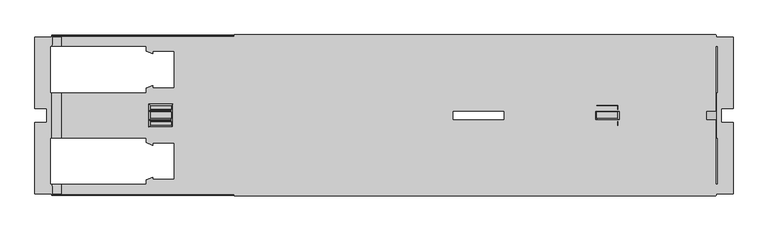
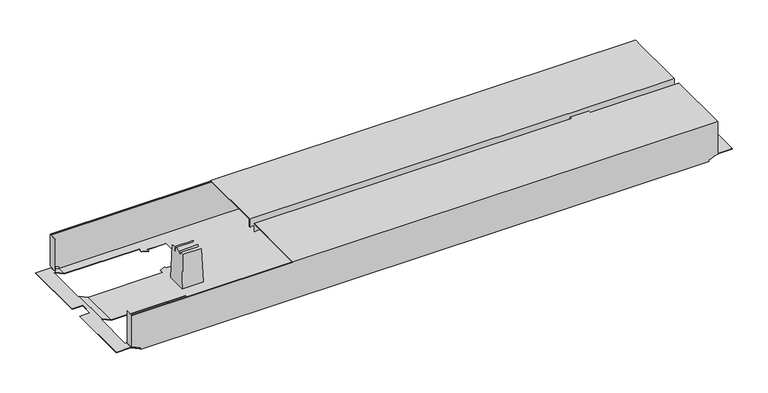
"""IFC4 building model written with IfcOpenShell, lengths in millimetres: furniture geometry."""

from ifc_helpers import new_model, si_unit, origin, place, context, project, spatial, triangles, source, transform, mapped, element, save


def furniture_51471888(model_context):
    return source(origin(), model_context, "Body", "Tessellation", [
        triangles([(5156.4205302, 4070.0568829, 526.9999909), (5156.4205302, 4070.0568829, 507.9999879), (6184.4205729, 4070.0568829, 526.9999909), (6184.4205729, 4070.0568829, 507.9999879), (5156.4205302, 3908.9568779, 526.9999909), (6184.4205729, 3908.9568779, 526.9999909), (5156.4205302, 3908.9568779, 507.9999879), (6184.4205729, 3908.9568779, 507.9999879), (5156.4205302, 3907.9568845, 507.9999879), (6184.4205729, 3907.9568845, 507.9999879), (5156.4205302, 3907.9568845, 528.0000026), (6184.4205729, 3907.9568845, 528.0000026), (5156.4205302, 4071.0568854, 528.0000026), (6184.4205729, 4071.0568854, 528.0000026), (5156.4205302, 4071.0568854, 507.9999879), (6184.4205729, 4071.0568854, 507.9999879), (5156.4205302, 3888.1568939, 526.9999909), (5156.4205302, 3888.1568939, 507.9999879), (6184.4205729, 3888.1568939, 526.9999909), (6184.4205729, 3888.1568939, 507.9999879), (5156.4205302, 3727.0568799, 526.9999909), (6184.4205729, 3727.0568799, 526.9999909), (5156.4205302, 3727.0568799, 507.9999879), (6184.4205729, 3727.0568799, 507.9999879), (5156.4205302, 3726.0568683, 507.9999879), (6184.4205729, 3726.0568683, 507.9999879), (5156.4205302, 3726.0568683, 528.0000026), (6184.4205729, 3726.0568683, 528.0000026), (5156.4205302, 3889.1568692, 528.0000026), (6184.4205729, 3889.1568692, 528.0000026), (5156.4205302, 3889.1568692, 507.9999879), (6184.4205729, 3889.1568692, 507.9999879), (4788.9205783, 3727.0568799, 432.000012), (6163.9206614, 3727.0568799, 432.000012), (4788.9205783, 3727.0568799, 435.9999859), (6163.9206614, 3727.0568799, 435.9999859), (4768.9206363, 3727.0568799, 445.3260155), (6183.9206035, 3727.0568799, 445.3260155), (4768.9206363, 3727.0568799, 526.0000156), (6183.9206035, 3727.0568799, 526.0000156), (6185.9204814, 3727.0568799, 445.3260155), (6185.9204814, 3727.0568799, 526.0000156), (4766.9204677, 3727.0568799, 526.0000156), (4766.9204677, 3727.0568799, 445.3260155), (5733.5204791, 3937.7568824, 432.000012), (5923.8204913, 3839.7568685, 432.000012), (5733.5204791, 3859.3568713, 432.000012), (5923.8204913, 3761.3568938, 432.000012), (5673.3206653, 3848.5568765, 432.000012), (5029.0204577, 3761.3568938, 432.000012), (5623.3205195, 3848.5568765, 432.000012), (5029.0204577, 3839.7568685, 432.000012), (5029.0204577, 3957.3568851, 432.000012), (4968.8206439, 3946.5568903, 432.000012), (4982.6206737, 3957.3568851, 432.000012), (4968.8206439, 3956.8408738, 432.000012), (4982.6206737, 3962.5568766, 432.000012), (5687.120695, 3937.7568824, 432.000012), (5673.3206653, 3948.5568772, 432.000012), (5923.8204913, 4035.756878, 432.000012), (5923.8204913, 3957.3568851, 432.000012), (5687.120695, 3932.5568727, 432.000012), (5673.3206653, 3938.1748801, 432.000012), (5029.0204577, 4035.756878, 432.000012), (5623.3205195, 3948.5568772, 432.000012), (5687.120695, 3859.3568713, 432.000012), (5673.3206653, 3858.9388736, 432.000012), (5687.120695, 3864.5568809, 432.000012), (4968.8206439, 3750.556899, 432.000012), (5984.0205958, 3750.556899, 432.000012), (6163.9206614, 3730.5568843, 432.000012), (6164.9206004, 3750.556899, 432.000012), (6164.9206004, 3730.5568843, 432.000012), (4788.9205783, 3730.5568843, 432.000012), (4787.9206393, 3750.556899, 432.000012), (4787.9206393, 3730.5568843, 432.000012), (4968.8206439, 3760.8408643, 432.000012), (4982.6206737, 3761.3568938, 432.000012), (5970.2205661, 3761.3568938, 432.000012), (4982.6206737, 3766.5568671, 432.000012), (4968.8206439, 3850.5568634, 432.000012), (4982.6206737, 3839.7568685, 432.000012), (4968.8206439, 3840.2728981, 432.000012), (4982.6206737, 3834.5568952, 432.000012), (4787.9206393, 3850.5568634, 432.000012), (4787.9206393, 3946.5568903, 432.000012), (4982.6206737, 4035.756878, 432.000012), (4968.8206439, 4046.556882, 432.000012), (5984.0205958, 4046.556882, 432.000012), (5970.2205661, 4035.756878, 432.000012), (5984.0205958, 4036.2728894, 432.000012), (5970.2205661, 4030.5568866, 432.000012), (4982.6206737, 4030.5568866, 432.000012), (4968.8206439, 4036.2728894, 432.000012), (4787.9206393, 4046.556882, 432.000012), (4788.9205783, 4066.5568785, 432.000012), (4788.9205783, 4070.0568829, 432.000012), (6163.9206614, 4070.0568829, 432.000012), (4787.9206393, 4066.5568785, 432.000012), (6163.9206614, 4066.5568785, 432.000012), (6164.9206004, 4046.556882, 432.000012), (6164.9206004, 4066.5568785, 432.000012), (5970.2205661, 3957.3568851, 432.000012), (5984.0205958, 3946.5568903, 432.000012), (5984.0205958, 3850.5568634, 432.000012), (5970.2205661, 3839.7568685, 432.000012), (5984.0205958, 3840.2728981, 432.000012), (5970.2205661, 3834.5568952, 432.000012), (5970.2205661, 3962.5568766, 432.000012), (5984.0205958, 3956.8408738, 432.000012), (6164.9206004, 3946.5568903, 432.000012), (6164.9206004, 3850.5568634, 432.000012), (5970.2205661, 3766.5568671, 432.000012), (5984.0205958, 3760.8408643, 432.000012), (5733.5204791, 3859.3568713, 432.9999873), (5923.8204913, 3957.3568851, 432.9999873), (5733.5204791, 3937.7568824, 432.9999873), (5923.8204913, 4035.756878, 432.9999873), (5673.3206653, 3948.5568772, 432.9999873), (5029.0204577, 4035.756878, 432.9999873), (5623.3205195, 3948.5568772, 432.9999873), (5029.0204577, 3957.3568851, 432.9999873), (5029.0204577, 3839.7568685, 432.9999873), (4968.8206439, 3850.5568634, 432.9999873), (4982.6206737, 3839.7568685, 432.9999873), (4968.8206439, 3840.2728981, 432.9999873), (4982.6206737, 3834.5568952, 432.9999873), (5687.120695, 3859.3568713, 432.9999873), (5673.3206653, 3848.5568765, 432.9999873), (5923.8204913, 3761.3568938, 432.9999873), (5923.8204913, 3839.7568685, 432.9999873), (5687.120695, 3864.5568809, 432.9999873), (5673.3206653, 3858.9388736, 432.9999873), (5029.0204577, 3761.3568938, 432.9999873), (5623.3205195, 3848.5568765, 432.9999873), (5687.120695, 3937.7568824, 432.9999873), (5673.3206653, 3938.1748801, 432.9999873), (5687.120695, 3932.5568727, 432.9999873), (6164.6985209, 4046.556882, 432.9999873), (6163.9206614, 4066.5568785, 432.9999873), (5984.0205958, 4046.556882, 432.9999873), (6163.9206614, 4069.0568803, 432.9999873), (4968.8206439, 4046.556882, 432.9999873), (4788.9205783, 4069.0568803, 432.9999873), (4788.9205783, 4066.5568785, 432.9999873), (6164.6985209, 4066.5568785, 432.9999873), (4788.1427188, 4066.5568785, 432.9999873), (4788.1427188, 4046.556882, 432.9999873), (4968.8206439, 4036.2728894, 432.9999873), (4982.6206737, 4035.756878, 432.9999873), (5970.2205661, 4035.756878, 432.9999873), (4982.6206737, 4030.5568866, 432.9999873), (4968.8206439, 3946.5568903, 432.9999873), (4982.6206737, 3957.3568851, 432.9999873), (4968.8206439, 3956.8408738, 432.9999873), (4982.6206737, 3962.5568766, 432.9999873), (4788.1427188, 3946.5568903, 432.9999873), (4788.1427188, 3850.5568634, 432.9999873), (4982.6206737, 3761.3568938, 432.9999873), (4968.8206439, 3750.556899, 432.9999873), (5984.0205958, 3750.556899, 432.9999873), (5970.2205661, 3761.3568938, 432.9999873), (5984.0205958, 3760.8408643, 432.9999873), (5970.2205661, 3766.5568671, 432.9999873), (4982.6206737, 3766.5568671, 432.9999873), (4968.8206439, 3760.8408643, 432.9999873), (4788.1427188, 3750.556899, 432.9999873), (4788.9205783, 3730.5568843, 432.9999873), (4788.9205783, 3728.0568915, 432.9999873), (6163.9206614, 3728.0568915, 432.9999873), (4788.1427188, 3730.5568843, 432.9999873), (6163.9206614, 3730.5568843, 432.9999873), (6164.6985209, 3750.556899, 432.9999873), (6164.6985209, 3730.5568843, 432.9999873), (5970.2205661, 3839.7568685, 432.9999873), (5984.0205958, 3850.5568634, 432.9999873), (5984.0205958, 3946.5568903, 432.9999873), (5970.2205661, 3957.3568851, 432.9999873), (5984.0205958, 3956.8408738, 432.9999873), (5970.2205661, 3962.5568766, 432.9999873), (5970.2205661, 3834.5568952, 432.9999873), (5984.0205958, 3840.2728981, 432.9999873), (6164.6985209, 3850.5568634, 432.9999873), (6164.6985209, 3946.5568903, 432.9999873), (5970.2205661, 4030.5568866, 432.9999873), (5984.0205958, 4036.2728894, 432.9999873), (4788.9205783, 3728.0568915, 435.9999859), (6163.9206614, 3728.0568915, 435.9999859), (4768.9206363, 3728.0568915, 445.3260155), (6183.9206035, 3728.0568915, 445.3260155), (6183.9206035, 3728.0568915, 511.9999981), (6184.9205424, 3728.0568915, 445.3260155), (6184.9205424, 3728.0568915, 526.0000156), (6183.9206035, 3728.0568915, 526.0000156), (4768.9206363, 3728.0568915, 511.9999981), (4767.9206973, 3728.0568915, 445.3260155), (4767.9206973, 3728.0568915, 526.0000156), (4768.9206363, 3728.0568915, 526.0000156), (4768.9206363, 4068.0568778, 526.0000156), (6183.9206035, 4068.0568778, 526.0000156), (4768.9206363, 4068.3498831, 526.7069856), (6183.9206035, 4068.3498831, 526.7069856), (4768.9206363, 4069.0568803, 526.9999909), (6183.9206035, 4069.0568803, 526.9999909), (4768.9206363, 4069.7638775, 526.7069856), (6183.9206035, 4069.7638775, 526.7069856), (4768.9206363, 4070.0568829, 526.0000156), (6183.9206035, 4070.0568829, 526.0000156), (4768.9206363, 4068.0568778, 511.9999981), (6183.9206035, 4068.0568778, 511.9999981), (4768.9206363, 4069.0568803, 511.9999981), (6183.9206035, 4069.0568803, 511.9999981), (4768.9206363, 3729.0568668, 511.9999981), (6183.9206035, 3729.0568668, 511.9999981), (4768.9206363, 3729.0568668, 526.0000156), (6183.9206035, 3729.0568668, 526.0000156), (4768.9206363, 3727.3498853, 526.7069856), (6183.9206035, 3727.3498853, 526.7069856), (4768.9206363, 3728.0568915, 526.9999909), (6183.9206035, 3728.0568915, 526.9999909), (4768.9206363, 3728.7638978, 526.7069856), (6183.9206035, 3728.7638978, 526.7069856), (4768.9206363, 4070.0568829, 445.3260155), (4766.9204677, 4070.0568829, 445.3260155), (4766.9204677, 4070.0568829, 526.0000156), (6183.9206035, 4070.0568829, 445.3260155), (6185.9204814, 4070.0568829, 526.0000156), (6185.9204814, 4070.0568829, 445.3260155), (4788.9205783, 4070.0568829, 435.9999859), (6163.9206614, 4070.0568829, 435.9999859), (6183.9206035, 4069.0568803, 445.3260155), (4768.9206363, 4069.0568803, 445.3260155), (6163.9206614, 4069.0568803, 435.9999859), (4788.9205783, 4069.0568803, 435.9999859), (6184.9205424, 4069.0568803, 445.3260155), (6184.9205424, 4069.0568803, 526.0000156), (6183.9206035, 4069.0568803, 526.0000156), (4767.9206973, 4069.0568803, 445.3260155), (4767.9206973, 4069.0568803, 526.0000156), (4768.9206363, 4069.0568803, 526.0000156), (6186.3655124, 3850.5568634, 441.999983), (6186.3655124, 3946.5568903, 441.999983), (6189.0205829, 3850.5568634, 441.999983), (6189.0205829, 3946.5568903, 441.999983), (6196.920682, 3913.5568879, 441.999983), (6189.0205829, 4046.556882, 441.999983), (6221.9206096, 4066.5568785, 441.999983), (6186.3655124, 4066.5568785, 441.999983), (6186.3655124, 4046.556882, 441.999983), (6221.9206096, 3913.5568879, 441.999983), (6196.920682, 3883.556884, 441.999983), (6189.0205829, 3750.556899, 441.999983), (6221.9206096, 3730.5568843, 441.999983), (6186.3655124, 3730.5568843, 441.999983), (6221.9206096, 3883.556884, 441.999983), (6186.3655124, 3750.556899, 441.999983), (6189.0205829, 3850.5568634, 442.9999947), (6189.0205829, 3750.556899, 442.9999947), (6186.1437236, 3946.5568903, 442.9999947), (6186.1437236, 3850.5568634, 442.9999947), (6189.0205829, 4046.556882, 442.9999947), (6189.0205829, 3946.5568903, 442.9999947), (6196.920682, 3913.5568879, 442.9999947), (6221.9206096, 4066.5568785, 442.9999947), (6186.1437236, 4066.5568785, 442.9999947), (6196.920682, 3883.556884, 442.9999947), (6221.9206096, 3730.5568843, 442.9999947), (6186.1437236, 3730.5568843, 442.9999947), (6186.1437236, 3750.556899, 442.9999947), (6221.9206096, 3883.556884, 442.9999947), (6221.9206096, 3913.5568879, 442.9999947), (6186.1437236, 4046.556882, 442.9999947), (6184.9205424, 4050.0568773, 526.0000156), (6184.9205424, 4050.0568773, 445.3260155), (6185.9204814, 4050.0568773, 445.3260155), (6185.9204814, 4050.0568773, 526.0000156), (6184.9205424, 3747.0568946, 445.3260155), (6184.9205424, 3747.0568946, 526.0000156), (6185.9204814, 3747.0568946, 445.3260155), (6185.9204814, 3747.0568946, 526.0000156), (4766.9204677, 3747.0568946, 526.0000156), (4766.9204677, 3747.0568946, 445.3260155), (4767.9206973, 3747.0568946, 526.0000156), (4767.9206973, 3747.0568946, 445.3260155), (4766.9204677, 4050.0568773, 445.3260155), (4766.9204677, 4050.0568773, 526.0000156), (4767.9206973, 4050.0568773, 445.3260155), (4767.9206973, 4050.0568773, 526.0000156), (4766.6975162, 3946.5568903, 442.9999947), (4766.6975162, 3850.5568634, 442.9999947), (4766.4757274, 3850.5568634, 441.999983), (4766.4757274, 3946.5568903, 441.999983), (4763.8206569, 3750.556899, 441.999983), (4755.9205577, 3883.556884, 441.999983), (4763.8206569, 3850.5568634, 441.999983), (4755.9205577, 3913.5568879, 441.999983), (4763.8206569, 3946.5568903, 441.999983), (4763.8206569, 4046.556882, 441.999983), (4730.9206302, 4066.5568785, 441.999983), (4766.4757274, 4066.5568785, 441.999983), (4766.4757274, 3750.556899, 441.999983), (4766.4757274, 3730.5568843, 441.999983), (4730.9206302, 3730.5568843, 441.999983), (4730.9206302, 3883.556884, 441.999983), (4730.9206302, 3913.5568879, 441.999983), (4766.4757274, 4046.556882, 441.999983), (4730.9206302, 3883.556884, 442.9999947), (4730.9206302, 3730.5568843, 442.9999947), (4755.9205577, 3883.556884, 442.9999947), (4763.8206569, 3750.556899, 442.9999947), (4763.8206569, 3850.5568634, 442.9999947), (4766.6975162, 3730.5568843, 442.9999947), (4766.6975162, 3750.556899, 442.9999947), (4763.8206569, 3946.5568903, 442.9999947), (4755.9205577, 3913.5568879, 442.9999947), (4763.8206569, 4046.556882, 442.9999947), (4730.9206302, 4066.5568785, 442.9999947), (4766.6975162, 4066.5568785, 442.9999947), (4766.6975162, 4046.556882, 442.9999947), (4730.9206302, 3913.5568879, 442.9999947), (5975.9524837, 3891.6558809, 519.5000127), (5976.3015902, 3889.656875, 509.5000053), (5975.9524837, 3905.4578728, 519.5000127), (5976.3015902, 3907.4568786, 509.5000053), (5978.9206164, 3874.0568825, 433.4999931), (5978.9206164, 3923.0568894, 433.4999931), (5976.3015902, 3887.6568881, 509.5000053), (5975.9876559, 3876.9898793, 518.500001), (5975.9876559, 3885.85787, 518.500001), (5976.3015902, 3909.4568838, 509.5000053), (5975.9876559, 3920.1238744, 518.500001), (5975.9876559, 3911.2558837, 518.500001), (5930.8886645, 3891.6558809, 519.5000127), (5930.8886645, 3905.4578728, 519.5000127), (5930.5395579, 3889.656875, 509.5000053), (5930.5395579, 3907.4568786, 509.5000053), (5927.9205317, 3874.0568825, 433.4999931), (5927.9205317, 3923.0568894, 433.4999931), (5930.5395579, 3909.4568838, 509.5000053), (5930.8534923, 3920.1238744, 518.500001), (5930.8534923, 3911.2558837, 518.500001), (5930.5395579, 3887.6568881, 509.5000053), (5930.8534923, 3876.9898793, 518.500001), (5930.8534923, 3885.85787, 518.500001), (5021.9525752, 3891.6558809, 519.5000127), (5022.3016818, 3889.656875, 509.5000053), (5021.9525752, 3905.4578728, 519.5000127), (5022.3016818, 3907.4568786, 509.5000053), (5024.920708, 3874.0568825, 433.4999931), (5024.920708, 3923.0568894, 433.4999931), (5022.3016818, 3887.6568881, 509.5000053), (5021.9874568, 3876.9898793, 518.500001), (5021.9874568, 3885.85787, 518.500001), (5022.3016818, 3909.4568838, 509.5000053), (5021.9874568, 3920.1238744, 518.500001), (5021.9874568, 3911.2558837, 518.500001), (4976.8884654, 3891.6558809, 519.5000127), (4976.8884654, 3905.4578728, 519.5000127), (4976.5396495, 3889.656875, 509.5000053), (4976.5396495, 3907.4568786, 509.5000053), (4973.9206233, 3874.0568825, 433.4999931), (4973.9206233, 3923.0568894, 433.4999931), (4976.5396495, 3909.4568838, 509.5000053), (4976.8535838, 3920.1238744, 518.500001), (4976.8535838, 3911.2558837, 518.500001), (4976.5396495, 3887.6568881, 509.5000053), (4976.8535838, 3876.9898793, 518.500001), (4976.8535838, 3885.85787, 518.500001)], [[1, 2, 3], [3, 2, 4], [5, 1, 6], [6, 1, 3], [7, 5, 8], [8, 5, 6], [9, 7, 10], [10, 7, 8], [11, 9, 12], [12, 9, 10], [13, 11, 14], [14, 11, 12], [15, 13, 16], [16, 13, 14], [2, 15, 4], [4, 15, 16], [2, 1, 15], [15, 1, 13], [13, 1, 5], [13, 5, 11], [11, 5, 9], [9, 5, 7], [4, 16, 3], [14, 3, 16], [6, 3, 14], [12, 6, 14], [10, 6, 12], [10, 8, 6], [17, 18, 19], [19, 18, 20], [21, 17, 22], [22, 17, 19], [23, 21, 24], [24, 21, 22], [25, 23, 26], [26, 23, 24], [27, 25, 28], [28, 25, 26], [29, 27, 30], [30, 27, 28], [31, 29, 32], [32, 29, 30], [18, 31, 20], [20, 31, 32], [18, 17, 31], [31, 17, 29], [29, 17, 21], [29, 21, 27], [27, 21, 25], [25, 21, 23], [20, 32, 19], [30, 19, 32], [22, 19, 30], [28, 22, 30], [26, 22, 28], [26, 24, 22], [33, 34, 35], [35, 34, 36], [37, 35, 36], [37, 36, 38], [37, 38, 39], [39, 38, 40], [40, 38, 41], [40, 41, 42], [39, 43, 37], [37, 43, 44], [45, 46, 47], [47, 46, 48], [49, 47, 48], [50, 49, 48], [49, 50, 51], [51, 50, 52], [51, 52, 53], [53, 52, 54], [53, 54, 55], [55, 54, 56], [57, 55, 56], [45, 58, 59], [60, 45, 59], [45, 60, 61], [62, 63, 58], [58, 63, 59], [60, 59, 64], [64, 59, 65], [64, 65, 53], [53, 65, 51], [47, 49, 66], [66, 49, 67], [68, 66, 67], [33, 69, 34], [34, 69, 70], [34, 70, 71], [71, 70, 72], [71, 72, 73], [33, 74, 69], [69, 74, 75], [75, 74, 76], [69, 77, 78], [69, 78, 50], [69, 50, 70], [70, 50, 48], [70, 48, 79], [77, 80, 78], [54, 52, 81], [81, 52, 82], [81, 82, 83], [83, 82, 84], [85, 86, 81], [81, 86, 54], [64, 87, 88], [89, 64, 88], [64, 89, 60], [60, 89, 90], [90, 89, 91], [92, 90, 91], [93, 94, 87], [87, 94, 88], [95, 96, 88], [88, 96, 97], [98, 88, 97], [95, 99, 96], [88, 98, 89], [89, 98, 100], [89, 100, 101], [101, 100, 102], [61, 103, 104], [61, 104, 105], [61, 105, 46], [46, 105, 106], [106, 105, 107], [108, 106, 107], [109, 110, 103], [103, 110, 104], [111, 112, 104], [104, 112, 105], [113, 114, 79], [79, 114, 70], [45, 61, 46], [115, 116, 117], [117, 116, 118], [119, 117, 118], [120, 119, 118], [119, 120, 121], [121, 120, 122], [121, 122, 123], [123, 122, 124], [123, 124, 125], [125, 124, 126], [127, 125, 126], [115, 128, 129], [130, 115, 129], [115, 130, 131], [132, 133, 128], [128, 133, 129], [130, 129, 134], [134, 129, 135], [134, 135, 123], [123, 135, 121], [117, 119, 136], [136, 119, 137], [138, 136, 137], [139, 140, 141], [141, 140, 142], [143, 141, 142], [144, 143, 142], [143, 144, 145], [139, 146, 140], [147, 148, 145], [145, 148, 143], [143, 149, 150], [143, 150, 120], [143, 120, 141], [141, 120, 118], [141, 118, 151], [149, 152, 150], [124, 122, 153], [153, 122, 154], [153, 154, 155], [155, 154, 156], [157, 158, 153], [153, 158, 124], [134, 159, 160], [161, 134, 160], [134, 161, 130], [130, 161, 162], [162, 161, 163], [164, 162, 163], [165, 166, 159], [159, 166, 160], [167, 168, 160], [160, 168, 169], [170, 160, 169], [167, 171, 168], [160, 170, 161], [161, 170, 172], [161, 172, 173], [173, 172, 174], [131, 175, 176], [131, 176, 177], [131, 177, 116], [116, 177, 178], [178, 177, 179], [180, 178, 179], [181, 182, 175], [175, 182, 176], [183, 184, 176], [176, 184, 177], [185, 186, 151], [151, 186, 141], [115, 131, 116], [169, 187, 170], [170, 187, 188], [188, 187, 189], [190, 188, 189], [190, 189, 191], [190, 191, 192], [192, 191, 193], [193, 191, 194], [191, 189, 195], [195, 189, 196], [197, 195, 196], [197, 198, 195], [199, 200, 201], [201, 200, 202], [201, 202, 203], [203, 202, 204], [203, 204, 205], [205, 204, 206], [205, 206, 207], [207, 206, 208], [209, 210, 199], [199, 210, 200], [211, 212, 209], [209, 212, 210], [213, 214, 195], [195, 214, 191], [215, 216, 213], [213, 216, 214], [39, 40, 217], [217, 40, 218], [217, 218, 219], [219, 218, 220], [219, 220, 221], [221, 220, 222], [221, 222, 215], [215, 222, 216], [208, 223, 207], [207, 223, 224], [207, 224, 225], [223, 208, 226], [226, 208, 227], [226, 227, 228], [223, 226, 229], [229, 226, 230], [229, 230, 97], [97, 230, 98], [231, 232, 233], [233, 232, 234], [233, 234, 144], [232, 231, 212], [212, 231, 235], [236, 212, 235], [236, 237, 212], [212, 211, 232], [232, 211, 238], [238, 211, 239], [239, 211, 240], [144, 142, 233], [45, 47, 117], [117, 47, 115], [47, 66, 115], [115, 66, 128], [133, 132, 67], [67, 132, 68], [67, 49, 133], [133, 49, 129], [49, 51, 129], [129, 51, 135], [58, 45, 136], [136, 45, 117], [137, 119, 63], [63, 119, 59], [63, 62, 137], [137, 62, 138], [65, 59, 121], [121, 59, 119], [62, 58, 138], [138, 58, 136], [51, 65, 135], [135, 65, 121], [132, 128, 68], [68, 128, 66], [46, 106, 131], [131, 106, 175], [106, 108, 175], [175, 108, 181], [48, 46, 130], [130, 46, 131], [108, 107, 181], [181, 107, 182], [107, 105, 182], [182, 105, 176], [70, 114, 161], [161, 114, 163], [114, 113, 163], [163, 113, 164], [113, 79, 164], [164, 79, 162], [79, 48, 162], [162, 48, 130], [109, 103, 180], [180, 103, 178], [103, 61, 178], [178, 61, 116], [104, 110, 177], [177, 110, 179], [110, 109, 179], [179, 109, 180], [61, 60, 116], [116, 60, 118], [60, 90, 118], [118, 90, 151], [91, 89, 186], [186, 89, 141], [186, 185, 91], [91, 185, 92], [185, 151, 92], [92, 151, 90], [241, 242, 243], [243, 242, 244], [243, 244, 245], [245, 244, 246], [245, 246, 247], [247, 246, 248], [248, 246, 249], [247, 250, 245], [245, 251, 243], [252, 243, 251], [253, 252, 251], [252, 253, 254], [251, 255, 253], [254, 256, 252], [243, 252, 257], [257, 252, 258], [111, 242, 112], [112, 242, 241], [259, 184, 260], [260, 184, 183], [246, 244, 261], [261, 244, 262], [260, 257, 259], [259, 257, 262], [262, 257, 263], [261, 262, 263], [264, 261, 263], [261, 264, 265], [263, 257, 266], [266, 257, 258], [266, 258, 267], [267, 258, 268], [268, 258, 269], [267, 270, 266], [263, 271, 264], [265, 272, 261], [273, 236, 274], [274, 236, 235], [275, 228, 276], [276, 228, 227], [102, 248, 101], [101, 248, 249], [265, 146, 272], [272, 146, 139], [264, 271, 247], [247, 271, 250], [271, 263, 250], [250, 263, 245], [270, 267, 255], [255, 267, 253], [255, 251, 270], [270, 251, 266], [263, 266, 245], [245, 266, 251], [72, 256, 73], [73, 256, 254], [174, 268, 173], [173, 268, 269], [277, 192, 278], [278, 192, 193], [277, 278, 279], [279, 278, 280], [41, 279, 42], [42, 279, 280], [277, 279, 192], [41, 192, 279], [38, 192, 41], [38, 190, 192], [275, 276, 274], [274, 276, 273], [81, 83, 124], [124, 83, 126], [83, 84, 126], [126, 84, 127], [82, 52, 125], [125, 52, 123], [52, 50, 123], [123, 50, 134], [50, 78, 134], [134, 78, 159], [166, 165, 77], [77, 165, 80], [77, 69, 166], [166, 69, 160], [78, 80, 159], [159, 80, 165], [84, 82, 127], [127, 82, 125], [53, 55, 122], [122, 55, 154], [55, 57, 154], [154, 57, 156], [57, 56, 156], [156, 56, 155], [152, 149, 93], [93, 149, 94], [93, 87, 152], [152, 87, 150], [87, 64, 150], [150, 64, 120], [88, 94, 143], [143, 94, 149], [56, 54, 155], [155, 54, 153], [64, 53, 120], [120, 53, 122], [43, 281, 44], [44, 281, 282], [283, 197, 284], [284, 197, 196], [224, 285, 225], [225, 285, 286], [287, 285, 238], [224, 238, 285], [223, 238, 224], [223, 232, 238], [239, 288, 238], [238, 288, 287], [157, 289, 158], [158, 289, 290], [85, 291, 86], [86, 291, 292], [293, 294, 295], [295, 294, 296], [295, 296, 297], [298, 297, 296], [299, 298, 296], [298, 299, 300], [301, 302, 293], [293, 302, 303], [294, 293, 303], [294, 303, 304], [296, 305, 299], [300, 306, 298], [297, 292, 295], [295, 292, 291], [307, 308, 309], [309, 308, 310], [309, 310, 311], [308, 312, 310], [310, 312, 313], [290, 289, 311], [311, 289, 314], [311, 314, 315], [315, 314, 316], [315, 316, 317], [317, 316, 318], [318, 316, 319], [317, 320, 315], [315, 309, 311], [297, 298, 314], [314, 298, 316], [293, 295, 310], [310, 295, 311], [283, 284, 281], [281, 284, 282], [312, 171, 313], [313, 171, 167], [143, 148, 88], [88, 148, 95], [95, 148, 306], [319, 306, 148], [306, 319, 316], [316, 298, 306], [145, 96, 147], [147, 96, 99], [300, 147, 99], [299, 317, 300], [318, 300, 317], [147, 300, 318], [140, 100, 142], [98, 142, 100], [230, 142, 98], [230, 233, 142], [248, 102, 146], [146, 102, 100], [146, 100, 140], [146, 265, 248], [264, 248, 265], [248, 264, 247], [177, 184, 104], [104, 184, 111], [111, 184, 242], [259, 242, 184], [242, 259, 262], [262, 244, 242], [257, 260, 241], [183, 241, 260], [241, 183, 112], [112, 183, 105], [105, 183, 176], [241, 243, 257], [161, 173, 70], [70, 173, 72], [72, 173, 256], [269, 256, 173], [256, 269, 258], [258, 252, 256], [267, 268, 254], [174, 254, 268], [254, 174, 73], [73, 174, 71], [71, 174, 172], [254, 253, 267], [168, 74, 169], [33, 169, 74], [35, 169, 33], [35, 187, 169], [95, 306, 99], [99, 306, 300], [76, 302, 75], [75, 302, 301], [147, 318, 148], [148, 318, 319], [297, 314, 292], [292, 314, 289], [157, 292, 289], [153, 54, 157], [86, 157, 54], [292, 157, 86], [293, 310, 301], [301, 310, 313], [167, 301, 313], [160, 69, 167], [75, 167, 69], [301, 167, 75], [312, 302, 171], [76, 171, 302], [171, 76, 74], [312, 308, 302], [302, 308, 303], [74, 168, 171], [304, 303, 307], [307, 303, 308], [307, 309, 304], [304, 309, 294], [309, 315, 294], [294, 315, 296], [315, 320, 296], [296, 320, 305], [320, 317, 305], [305, 317, 299], [124, 158, 81], [81, 158, 85], [85, 158, 291], [290, 291, 158], [291, 290, 311], [311, 295, 291], [35, 37, 187], [187, 37, 189], [189, 37, 196], [44, 196, 37], [282, 196, 44], [282, 284, 196], [283, 281, 197], [43, 197, 281], [197, 43, 39], [39, 198, 197], [39, 217, 198], [198, 217, 219], [198, 219, 221], [221, 215, 198], [195, 198, 213], [213, 198, 215], [214, 216, 191], [191, 216, 194], [216, 222, 194], [194, 222, 220], [194, 220, 218], [218, 40, 194], [194, 40, 193], [193, 40, 42], [280, 193, 42], [280, 278, 193], [38, 36, 190], [190, 36, 188], [188, 36, 170], [34, 170, 36], [71, 170, 34], [71, 172, 170], [246, 261, 249], [249, 261, 272], [139, 249, 272], [141, 89, 139], [101, 139, 89], [249, 139, 101], [230, 226, 233], [233, 226, 231], [231, 226, 235], [228, 235, 226], [275, 235, 228], [275, 274, 235], [273, 276, 236], [227, 236, 276], [208, 236, 227], [208, 237, 236], [208, 206, 237], [237, 206, 204], [237, 204, 202], [202, 200, 237], [212, 237, 210], [210, 237, 200], [209, 199, 211], [211, 199, 240], [199, 201, 240], [240, 201, 203], [240, 203, 205], [205, 207, 240], [240, 207, 239], [225, 239, 207], [286, 239, 225], [286, 288, 239], [286, 285, 288], [288, 285, 287], [223, 229, 232], [232, 229, 234], [234, 229, 144], [97, 144, 229], [96, 144, 97], [96, 145, 144], [323, 321, 322], [323, 322, 324], [324, 322, 325], [324, 325, 326], [322, 327, 325], [325, 327, 328], [328, 327, 329], [324, 326, 330], [331, 330, 326], [330, 331, 332], [335, 333, 334], [335, 334, 336], [337, 335, 336], [337, 336, 338], [338, 336, 339], [338, 339, 340], [340, 339, 341], [335, 337, 342], [343, 342, 337], [342, 343, 344], [321, 323, 333], [333, 323, 334], [322, 321, 333], [322, 333, 335], [334, 323, 324], [334, 324, 336], [324, 330, 336], [336, 330, 339], [330, 332, 341], [330, 341, 339], [332, 331, 341], [341, 331, 340], [340, 331, 326], [340, 326, 338], [327, 322, 342], [342, 322, 335], [344, 329, 327], [344, 327, 342], [328, 329, 343], [343, 329, 344], [325, 328, 343], [325, 343, 337], [326, 325, 338], [338, 325, 337], [347, 345, 346], [347, 346, 348], [348, 346, 349], [348, 349, 350], [346, 351, 349], [349, 351, 352], [352, 351, 353], [348, 350, 354], [355, 354, 350], [354, 355, 356], [359, 357, 358], [359, 358, 360], [361, 359, 360], [361, 360, 362], [362, 360, 363], [362, 363, 364], [364, 363, 365], [359, 361, 366], [367, 366, 361], [366, 367, 368], [345, 347, 357], [357, 347, 358], [346, 345, 357], [346, 357, 359], [358, 347, 348], [358, 348, 360], [348, 354, 360], [360, 354, 363], [354, 356, 365], [354, 365, 363], [356, 355, 365], [365, 355, 364], [364, 355, 350], [364, 350, 362], [351, 346, 366], [366, 346, 359], [368, 353, 351], [368, 351, 366], [352, 353, 367], [367, 353, 368], [349, 352, 367], [349, 367, 361], [350, 349, 362], [362, 349, 361]]),
    ])


if __name__ == "__main__":
    model = new_model("IFC4")
    model_context = context("Model", 3, world=origin())
    ifc_project = project(units=[si_unit("LENGTHUNIT", "METRE", prefix="MILLI")], contexts=[model_context])
    site = spatial("IfcSite", under=ifc_project)
    building = spatial("IfcBuilding", under=site)
    placement = place(None, origin())
    furniture_shape = furniture_51471888(model_context)
    element("IfcFurniture", 1, at=placement, inside=building, context=model_context, shape_type="MappedRepresentation", body=[
        mapped(furniture_shape, transform((0.0, 0.0, 0.0), x_axis=(1.0, 0.0, 0.0), y_axis=(0.0, 1.0, 0.0), z_axis=(0.0, 0.0, 1.0))),
    ])
    save(model, "model.ifc")
